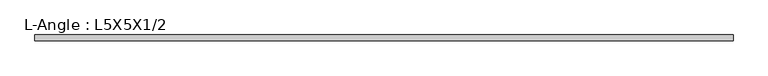
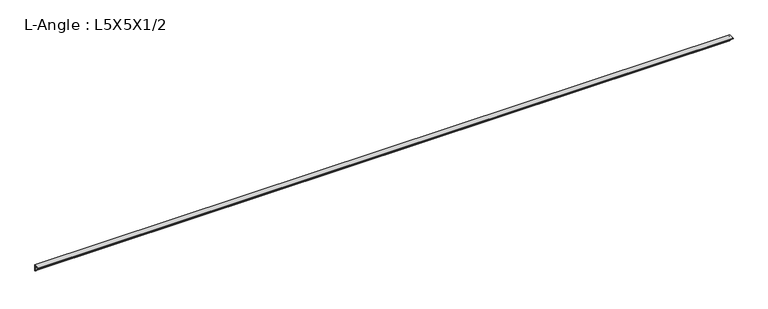
"""IFC4 building model written with IfcOpenShell, lengths in millimetres: beam geometry, L-Angle : L5X5X1/2."""

from ifc_helpers import new_model, si_unit, point, frame, frame_2d, origin, place, context, project, spatial, polyline, circle_curve, trimmed, segment, composite_curve, outline, extrude, source, transform, mapped, element, save


def l_angle_l5x5x1_2_3f4d7983(model_context):
    return source(origin(), model_context, "Body", "SweptSolid", [
        extrude(outline(composite_curve([segment(polyline([(36.068, 36.068), (36.068, -90.932)]), True, "CONTINUOUS"), segment(trimmed(circle_curve(frame_2d((36.068, -78.232)), 12.7), [point((36.068, -90.932))], [point((23.368, -78.232))], False, "CARTESIAN"), True, "CONTINUOUS"), segment(polyline([(23.368, -78.232), (23.368, 10.668)]), True, "CONTINUOUS"), segment(trimmed(circle_curve(frame_2d((10.668, 10.668)), 12.7), [point((23.368, 10.668))], [point((10.668, 23.368))], True, "CARTESIAN"), True, "CONTINUOUS"), segment(polyline([(10.668, 23.368), (-78.232, 23.368)]), True, "CONTINUOUS"), segment(trimmed(circle_curve(frame_2d((-78.232, 36.068)), 12.7), [point((-78.232, 23.368))], [point((-90.932, 36.068))], False, "CARTESIAN"), True, "CONTINUOUS"), segment(polyline([(-90.932, 36.068), (36.068, 36.068)]), True, "CONTINUOUS")], self_intersect=False)), frame((-7442.8324864, 0.0, 0.0), z_axis=(1.0, 0.0, 0.0), x_axis=(0.0, 1.0, 0.0)), (0.0, 0.0, 1.0), 14885.6649727),
    ])


if __name__ == "__main__":
    model = new_model("IFC4")
    model_context = context("Model", 3, world=origin())
    ifc_project = project(units=[si_unit("LENGTHUNIT", "METRE", prefix="MILLI")], contexts=[model_context])
    site = spatial("IfcSite", under=ifc_project)
    building = spatial("IfcBuilding", under=site)
    placement = place(None, origin())
    l_angle_l5x5x1_2_shape = l_angle_l5x5x1_2_3f4d7983(model_context)
    element("IfcBeam", 1, ObjectType="L-Angle : L5X5X1/2", at=placement, inside=building, context=model_context, shape_type="MappedRepresentation", body=[
        mapped(l_angle_l5x5x1_2_shape, transform((0.0, 0.0, 0.0), x_axis=(1.0, 0.0, 0.0), y_axis=(0.0, 1.0, 0.0), z_axis=(0.0, 0.0, 1.0))),
    ])
    save(model, "model.ifc")
